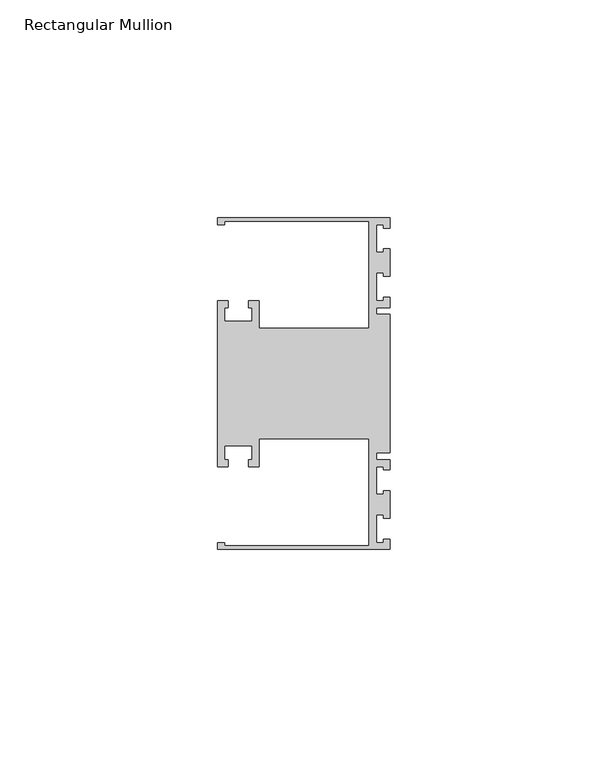
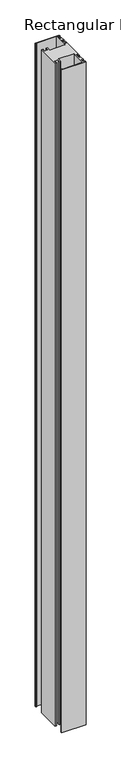
"""IFC4 building model written with IfcOpenShell, lengths in millimetres: member geometry, Rectangular Mullion."""

from ifc_helpers import new_model, si_unit, frame, origin, place, context, project, spatial, polyline, outline, extrude, source, transform, mapped, element, save


def rectangular_mullion_8b9d22df(model_context):
    return source(origin(), model_context, "Body", "SweptSolid", [
        extrude(outline(polyline([(0.0, 38.1), (0.0, 35.71875), (-1.4999946, 35.71875), (-1.4999946, 36.5125), (-3.175, 36.5125), (-3.175, 30.1625), (-1.4999946, 30.1625), (-1.4999946, 30.95625), (0.0, 30.95625), (0.0, 24.60625), (-1.4999946, 24.60625), (-1.4999946, 25.4), (-3.175, 25.4), (-3.175, 19.05), (-1.4999946, 19.05), (-1.4999946, 19.84375), (0.0, 19.84375), (0.0, 17.4625), (-3.175, 17.4625), (-3.175, 15.875), (0.0, 15.875), (0.0, -15.875), (-3.175, -15.875), (-3.175, -17.4625), (0.0, -17.4625), (0.0, -19.84375), (-1.4999946, -19.84375), (-1.4999946, -19.05), (-3.175, -19.05), (-3.175, -25.4), (-1.4999946, -25.4), (-1.4999946, -24.60625), (0.0, -24.60625), (0.0, -30.95625), (-1.4999946, -30.95625), (-1.4999946, -30.1625), (-3.175, -30.1625), (-3.175, -36.5125), (-1.4999946, -36.5125), (-1.4999946, -35.71875), (0.0, -35.71875), (0.0, -38.1), (-39.6875, -38.1), (-39.6875, -36.5125), (-38.1, -36.5125), (-38.1, -37.30625), (-4.8585733, -37.30625), (-4.8585733, -12.6999969), (-30.1625, -12.6999969), (-30.1625, -19.05), (-32.54375, -19.05), (-32.54375, -17.4625), (-31.75, -17.4625), (-31.75, -14.2875), (-38.1, -14.2875), (-38.1, -17.4625), (-37.30625, -17.4625), (-37.30625, -19.05), (-39.6875, -19.05), (-39.6875, 19.05), (-37.30625, 19.05), (-37.30625, 17.4625), (-38.1, 17.4625), (-38.1, 14.2875), (-31.75, 14.2875), (-31.75, 17.4625), (-32.54375, 17.4625), (-32.54375, 19.05), (-30.1625, 19.05), (-30.1625, 12.6999969), (-4.8585733, 12.6999969), (-4.8585733, 37.30625), (-38.1, 37.30625), (-38.1, 36.5125), (-39.6875, 36.5125), (-39.6875, 38.1), (0.0, 38.1)])), frame((0.0, 0.0, -1152.525), z_axis=(0.0, 0.0, 1.0), x_axis=(1.0, 0.0, 0.0)), (0.0, 0.0, 1.0), 1152.525),
    ])


if __name__ == "__main__":
    model = new_model("IFC4")
    model_context = context("Model", 3, world=origin())
    ifc_project = project(units=[si_unit("LENGTHUNIT", "METRE", prefix="MILLI")], contexts=[model_context])
    site = spatial("IfcSite", under=ifc_project)
    building = spatial("IfcBuilding", under=site)
    placement = place(None, origin())
    rectangular_mullion_shape = rectangular_mullion_8b9d22df(model_context)
    element("IfcMember", 1, ObjectType="Rectangular Mullion", at=placement, inside=building, context=model_context, shape_type="MappedRepresentation", body=[
        mapped(rectangular_mullion_shape, transform((0.0, 0.0, 0.0), x_axis=(1.0, 0.0, 0.0), y_axis=(0.0, 1.0, 0.0), z_axis=(0.0, 0.0, 1.0))),
    ])
    save(model, "model.ifc")
